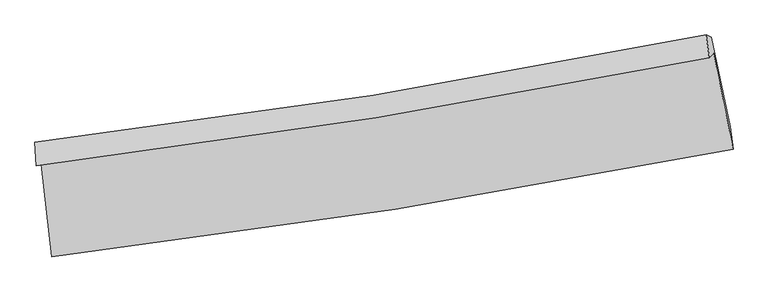
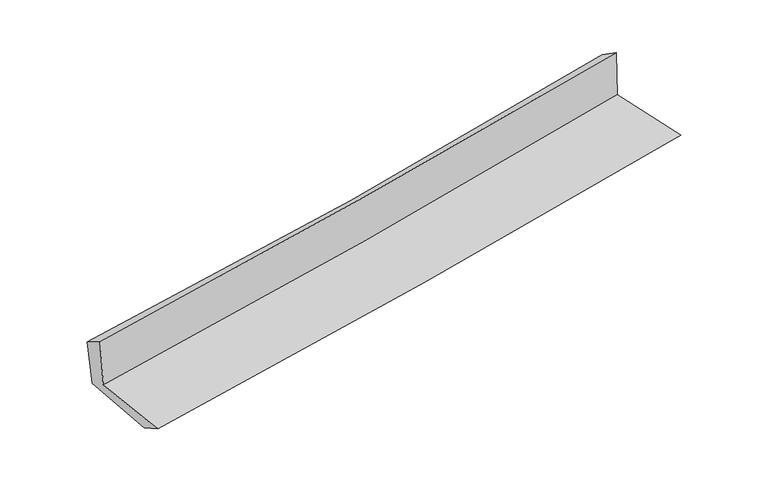
"""IFC4 building model written with IfcOpenShell, lengths in millimetres: proxy geometry."""

from ifc_helpers import new_model, si_unit, frame, origin, place, context, project, spatial, source, transform, mapped, element, save
from ifc_brep_helpers import plane_surface, spline_curve, spline_surface, advanced_brep


def generic_models_fb920e5a(model_context):
    return source(origin(), model_context, "Body", "AdvancedBrep", [
        advanced_brep(
        [(-2408.3562445, -1876.2131593, 1664.5853936), (-2332.0818397, -2530.0946378, 1645.4596534), (2481.6238242, -1770.2088716, 2099.7600445), (2343.6418011, -1091.0905096, 2095.9169017), (-2441.567469, -1885.9697587, 2062.2203954), (2314.1668456, -1124.0944386, 2496.2603302), (-2452.1139244, -1718.2630129, 1962.6760776), (2290.984302, -961.5632528, 2386.5077691), (-2418.5034916, -1736.2938588, 1597.1533682), (2328.7305171, -978.0046615, 2006.0750816), (-2343.8831444, -2358.3825023, 1555.1567598), (2459.8900191, -1611.5951627, 1982.809786)],
        [
            (0, 1),
            (1, 2, spline_curve(3, [(-2332.0818397, -2530.0946378, 1645.4596534), (-1521.60919369, -2432.187225607, 1729.464457374), (-712.641700544, -2319.403723477, 1809.545225634), (891.88835143, -2065.727927195, 1960.878310031), (1687.48941274, -1925.216173998, 2032.231005241), (2481.6238242, -1770.2088716, 2099.7600445)], [4, 2, 4], [0.0, 8.033905244824357, 15.964388369809946])),
            (2, 3),
            (3, 0, spline_curve(3, [(2343.6418011, -1091.0905096, 2095.9169017), (1561.311422082, -1248.219385682, 2029.357539796), (776.72650267, -1391.874710806, 1960.38217799), (-807.21365927, -1653.935971834, 1816.66843426), (-1606.628088193, -1771.988196273, 1741.866626559), (-2408.3562445, -1876.2131593, 1664.5853936)], [4, 2, 4], [0.0, 7.930483124985589, 15.964388369809946])),
            (4, 0),
            (3, 5),
            (5, 4, spline_curve(3, [(2314.1668456, -1124.0944386, 2496.2603302), (1530.723930575, -1279.131044174, 2434.00297806), (745.271804842, -1419.821198947, 2366.969768714), (-839.92022039, -1674.156265274, 2222.415167205), (-1639.712866118, -1787.424550743, 2144.768398529), (-2441.567469, -1885.9697587, 2062.2203954)], [4, 2, 4], [0.0, 7.882851922529217, 15.868504802245337])),
            (6, 4),
            (5, 7),
            (7, 6, spline_curve(3, [(2290.984302, -961.5632528, 2386.5077691), (1511.30551584, -1119.152229057, 2315.623220174), (728.787055295, -1260.701109668, 2245.088168234), (-852.171139009, -1513.355451714, 2103.801762846), (-1650.685420396, -1624.039824353, 2033.059584081), (-2452.1139244, -1718.2630129, 1962.6760776)], [4, 2, 4], [0.0, 7.871727605780684, 15.846111095566503])),
            (8, 6),
            (7, 9),
            (9, 8, spline_curve(3, [(2328.7305171, -978.0046615, 2006.0750816), (1548.680797944, -1135.508704629, 1932.882103574), (765.635471846, -1277.145586403, 1862.411811783), (-816.69722319, -1530.325200853, 1726.033097197), (-1616.063233149, -1641.451384809, 1660.196151357), (-2418.5034916, -1736.2938588, 1597.1533682)], [4, 2, 4], [0.0, 7.862837124331588, 15.828214191126875])),
            (10, 8),
            (9, 11),
            (11, 10, spline_curve(3, [(2459.8900191, -1611.5951627, 1982.809786), (1668.509859053, -1767.918135287, 1914.423088336), (875.111863834, -1908.014546311, 1844.830720947), (-726.092884629, -2157.369642966, 1702.311363699), (-1533.952610376, -2266.202345263, 1629.35272222), (-2343.8831444, -2358.3825023, 1555.1567598)], [4, 2, 4], [0.0, 7.910477594052955, 15.924116414076684])),
            (1, 10),
            (11, 2),
        ],
        [
            spline_surface(3, 3, [[(-2408.3562445, -1876.2131593, 1664.5853936), (-1606.628088214, -1771.988196385, 1741.866626466), (-807.213659187, -1653.935971742, 1816.668434151), (776.726502588, -1391.874710896, 1960.382178097), (1561.311422116, -1248.219385651, 2029.357539789), (2343.6418011, -1091.0905096, 2095.9169017)], [(-2382.931442903, -2094.17365215, 1658.210146853), (-1578.288456729, -1992.054539467, 1737.732570103), (-775.689672965, -1875.758555632, 1814.294031362), (815.113785476, -1616.492449698, 1960.547555371), (1603.3707523, -1473.884981808, 2030.315361598), (2389.635808796, -1317.463296939, 2097.197949278)], [(-2357.506641297, -2312.13414495, 1651.834900147), (-1549.948825234, -2212.1208825, 1733.598513783), (-744.165686664, -2097.5811395, 1811.919628555), (853.501068442, -1841.110188478, 1960.712932627), (1645.430082497, -1699.550577946, 2031.273183472), (2435.629816504, -1543.836084261, 2098.478996922)], [(-2332.0818397, -2530.0946378, 1645.4596534), (-1521.609193749, -2432.187225582, 1729.464457421), (-712.641700442, -2319.40372339, 1809.545225766), (891.88835133, -2065.72792728, 1960.878309901), (1687.48941268, -1925.216174103, 2032.231005281), (2481.6238242, -1770.2088716, 2099.7600445)]], [4, 4], [4, 2, 4], [0.0, 2.2236076671703033], [0.0, 8.033905244824357, 15.964388369809946]),
            spline_surface(3, 3, [[(-2441.567469, -1885.9697587, 2062.2203954), (-1639.712866071, -1787.424550771, 2144.768398411), (-839.920220391, -1674.156265392, 2222.415167313), (745.271804844, -1419.821198831, 2366.969768608), (1530.723930704, -1279.131044175, 2434.002977983), (2314.1668456, -1124.0944386, 2496.2603302)], [(-2430.497060825, -1882.717558892, 1929.675394814), (-1628.684606777, -1782.279099301, 2010.467807776), (-829.018033323, -1667.416167516, 2087.166256264), (755.756704093, -1410.505702861, 2231.440571777), (1540.919761175, -1268.827157986, 2299.121165265), (2323.991830767, -1113.093128919, 2362.812520714)], [(-2419.426652675, -1879.465359108, 1797.130394186), (-1617.656347508, -1777.133647855, 1876.1672171), (-818.115846256, -1660.676069617, 1951.9173452), (766.24160334, -1401.190206867, 2095.911374929), (1551.115591646, -1258.52327184, 2164.239352507), (2333.816815933, -1102.091819281, 2229.364711186)], [(-2408.3562445, -1876.2131593, 1664.5853936), (-1606.628088214, -1771.988196385, 1741.866626466), (-807.213659187, -1653.935971742, 1816.668434151), (776.726502588, -1391.874710896, 1960.382178097), (1561.311422116, -1248.219385651, 2029.357539789), (2343.6418011, -1091.0905096, 2095.9169017)]], [4, 4], [4, 2, 4], [0.0, 1.339026381396279], [0.0, 7.9856528797161195, 15.868504802245337]),
            spline_surface(3, 3, [[(-2452.1139244, -1718.2630129, 1962.6760776), (-1650.685420487, -1624.039824223, 2033.059584128), (-852.171139017, -1513.355451613, 2103.801762745), (728.787055302, -1260.701109768, 2245.088168333), (1511.305515933, -1119.152228979, 2315.623220203), (2290.984302, -961.5632528, 2386.5077691)], [(-2448.598439261, -1774.165261512, 1995.857516868), (-1647.027902343, -1678.501399751, 2070.295855557), (-848.087499458, -1566.955722852, 2143.33956426), (734.281971834, -1313.741139436, 2285.715368417), (1517.778320842, -1172.478500707, 2355.083139454), (2298.711816519, -1015.74031473, 2423.091956124)], [(-2445.082954139, -1830.067510088, 2029.038956132), (-1643.370384215, -1732.962975243, 2107.532126982), (-844.003859951, -1620.555994152, 2182.877365798), (739.776888313, -1366.781169164, 2326.342568524), (1524.251125794, -1225.804772446, 2394.543058733), (2306.439331081, -1069.91737667, 2459.676143176)], [(-2441.567469, -1885.9697587, 2062.2203954), (-1639.712866071, -1787.424550771, 2144.768398411), (-839.920220391, -1674.156265392, 2222.415167313), (745.271804844, -1419.821198831, 2366.969768608), (1530.723930704, -1279.131044175, 2434.002977983), (2314.1668456, -1124.0944386, 2496.2603302)]], [4, 4], [4, 2, 4], [0.0, 0.6582215416032621], [0.0, 7.974383489785819, 15.846111095566503]),
            spline_surface(3, 3, [[(-2418.5034916, -1736.2938588, 1597.1533682), (-1616.063233064, -1641.451384827, 1660.196151458), (-816.697223085, -1530.325200802, 1726.033097282), (765.635471741, -1277.145586454, 1862.411811699), (1548.680797993, -1135.508704692, 1932.882103671), (2328.7305171, -978.0046615, 2006.0750816)], [(-2429.706969208, -1730.283576832, 1718.994271337), (-1627.603962213, -1635.647531292, 1784.483962351), (-828.521861749, -1524.668617763, 1851.955985776), (753.352666242, -1271.664094249, 1989.970597251), (1536.222370647, -1130.056546126, 2060.462475856), (2316.148445407, -972.524191939, 2132.885977441)], [(-2440.910446792, -1724.273294868, 1840.835174463), (-1639.144691338, -1629.843677759, 1908.771773234), (-840.346500353, -1519.012034652, 1977.87887425), (741.069860802, -1266.182601972, 2117.529382781), (1523.763943279, -1124.604387545, 2188.042848018), (2303.566373693, -967.043722361, 2259.696873259)], [(-2452.1139244, -1718.2630129, 1962.6760776), (-1650.685420487, -1624.039824223, 2033.059584128), (-852.171139017, -1513.355451613, 2103.801762745), (728.787055302, -1260.701109768, 2245.088168333), (1511.305515933, -1119.152228979, 2315.623220203), (2290.984302, -961.5632528, 2386.5077691)]], [4, 4], [4, 2, 4], [0.0, 1.2541693500819204], [0.0, 7.965377066795287, 15.828214191126875]),
            spline_surface(3, 3, [[(-2343.8831444, -2358.3825023, 1555.1567598), (-1533.952610465, -2266.202345201, 1629.352722317), (-726.092884624, -2157.369643063, 1702.311363728), (875.111863829, -1908.014546215, 1844.830720918), (1668.509859167, -1767.918135158, 1914.423088263), (2459.8900191, -1611.5951627, 1982.809786)], [(-2368.756593464, -2151.019621125, 1569.155629258), (-1561.322817995, -2057.952025069, 1639.633865355), (-756.29433076, -1948.354828962, 1710.218608248), (838.619733151, -1697.724892947, 1850.691084513), (1628.566838786, -1557.114991674, 1920.576093405), (2416.17018511, -1400.398328971, 1990.564884538)], [(-2393.630042536, -1943.656739975, 1583.154498742), (-1588.693025534, -1849.70170496, 1649.91500842), (-786.495776948, -1739.340014903, 1718.125852762), (802.12760242, -1487.435239721, 1856.551448104), (1588.623818374, -1346.311848176, 1926.72909853), (2372.45035109, -1189.201495229, 1998.319983062)], [(-2418.5034916, -1736.2938588, 1597.1533682), (-1616.063233064, -1641.451384827, 1660.196151458), (-816.697223085, -1530.325200802, 1726.033097282), (765.635471741, -1277.145586454, 1862.411811699), (1548.680797993, -1135.508704692, 1932.882103671), (2328.7305171, -978.0046615, 2006.0750816)]], [4, 4], [4, 2, 4], [0.0, 2.0904051223093765], [0.0, 8.01363882002373, 15.924116414076684]),
            spline_surface(3, 3, [[(-2332.0818397, -2530.0946378, 1645.4596534), (-1521.609193749, -2432.187225582, 1729.464457421), (-712.641700442, -2319.40372339, 1809.545225766), (891.88835133, -2065.72792728, 1960.878309901), (1687.48941268, -1925.216174103, 2032.231005281), (2481.6238242, -1770.2088716, 2099.7600445)], [(-2336.015607939, -2472.857259288, 1615.358688871), (-1525.723665993, -2376.85893211, 1696.093879057), (-717.125428492, -2265.392363276, 1773.800605074), (886.296188841, -2013.156800253, 1922.195780227), (1681.162894843, -1872.783494456, 1992.961699614), (2474.379222501, -1717.337635302, 2060.776625005)], [(-2339.949376161, -2415.619880812, 1585.257724329), (-1529.838138221, -2321.530638673, 1662.72330068), (-721.609156574, -2211.381003177, 1738.05598442), (880.704026318, -1960.585673242, 1883.513250591), (1674.836377005, -1820.350814805, 1953.692393931), (2467.134620799, -1664.466398998, 2021.793205495)], [(-2343.8831444, -2358.3825023, 1555.1567598), (-1533.952610465, -2266.202345201, 1629.352722317), (-726.092884624, -2157.369643063, 1702.311363728), (875.111863829, -1908.014546215, 1844.830720918), (1668.509859167, -1767.918135158, 1914.423088263), (2459.8900191, -1611.5951627, 1982.809786)]], [4, 4], [4, 2, 4], [0.0, 0.6416306466599658], [0.0, 8.070990978949743, 16.038082425753483]),
            plane_surface(frame((2369.8395515, -1256.0928161, 2177.8883188), z_axis=(0.976055960614274, 0.19881267503478958, 0.0882512435881672), x_axis=(-0.09864318568508229, 0.04296676968651072, 0.9941948393653051))),
            plane_surface(frame((-2399.4176856, -2017.536155, 1747.8752747), z_axis=(-0.9899167144298106, -0.11297304476490197, -0.08545168020019471), x_axis=(-0.11581419783199938, 0.9928462781563018, 0.02904030873992185))),
        ],
        [
            (0, [[1, 2, 3, 4]]),
            (1, [[5, -4, 6, 7]]),
            (2, [[8, -7, 9, 10]]),
            (3, [[11, -10, 12, 13]]),
            (4, [[14, -13, 15, 16]]),
            (5, [[17, -16, 18, -2]]),
            (6, [[-12, -9, -6, -3, -18, -15]]),
            (7, [[-1, -5, -8, -11, -14, -17]]),
        ],
    ),
    ])


if __name__ == "__main__":
    model = new_model("IFC4")
    model_context = context("Model", 3, world=origin())
    ifc_project = project(units=[si_unit("LENGTHUNIT", "METRE", prefix="MILLI")], contexts=[model_context])
    site = spatial("IfcSite", under=ifc_project)
    building = spatial("IfcBuilding", under=site)
    placement = place(None, origin())
    generic_models_shape = generic_models_fb920e5a(model_context)
    element("IfcBuildingElementProxy", 1, Name="Generic Models", at=placement, inside=building, context=model_context, shape_type="MappedRepresentation", body=[
        mapped(generic_models_shape, transform((0.0, 0.0, 0.0), x_axis=(1.0, 0.0, 0.0), y_axis=(0.0, 1.0, 0.0), z_axis=(0.0, 0.0, 1.0))),
    ])
    save(model, "model.ifc")
